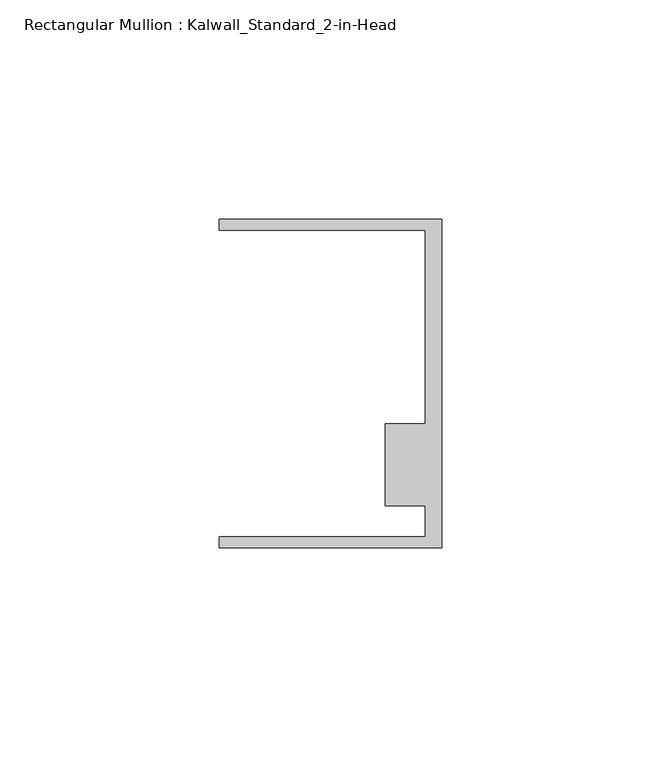
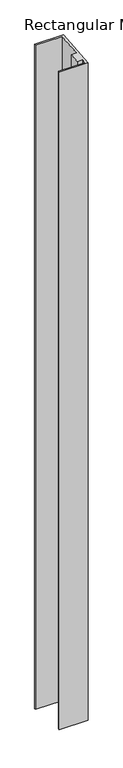
"""IFC4 building model written with IfcOpenShell, lengths in millimetres: member geometry, Rectangular Mullion : Kalwall_Standard_2-in-Head."""

from ifc_helpers import new_model, si_unit, origin, place, context, project, spatial, faceted_brep, source, transform, mapped, element, save


def rectangular_mullion_kalwall_standard_2_in_head_b56ed833(model_context):
    return source(origin(), model_context, "Body", "Brep", [
        faceted_brep([(0.0, 37.5023614, 3.2699037), (0.0, -37.5776386, -3.2764672), (0.0, -37.5776386, -1231.8980334), (0.0, 37.5023614, -1238.4993479), (-50.8, 37.5023614, 3.2699037), (-50.8, 37.5023614, -1238.4993479), (-50.8, 34.9623614, 3.0484362), (-50.8, 34.9623614, -1238.2760216), (-3.7084, 34.9623614, 3.0484362), (-3.7084, 34.9623614, -1238.2760216), (-3.7084, -9.1879886, -0.8011186), (-3.7084, -9.1879886, -1234.3941577), (-12.8272539, -9.1879886, -0.8011186), (-12.8272539, -9.1879886, -1234.3941577), (-12.8272539, -27.8888568, -2.4316836), (-12.8272539, -27.8888568, -1232.7499074), (-3.7084, -27.8888568, -2.4316836), (-3.7084, -27.8888568, -1232.7499074), (-3.7084, -35.0376386, -3.0549997), (-3.7084, -35.0376386, -1232.1213597), (-50.8, -35.0376386, -3.0549997), (-50.8, -35.0376386, -1232.1213597), (-50.8, -37.5776386, -3.2764672), (-50.8, -37.5776386, -1231.8980334)], [[[0, 1, 2, 3]], [[4, 0, 3, 5]], [[6, 4, 5, 7]], [[8, 6, 7, 9]], [[10, 8, 9, 11]], [[12, 10, 11, 13]], [[14, 12, 13, 15]], [[16, 14, 15, 17]], [[18, 16, 17, 19]], [[20, 18, 19, 21]], [[22, 20, 21, 23]], [[1, 22, 23, 2]], [[1, 0, 4, 6, 8, 10, 12, 14, 16, 18, 20, 22]], [[2, 23, 21, 19, 17, 15, 13, 11, 9, 7, 5, 3]]]),
    ])


if __name__ == "__main__":
    model = new_model("IFC4")
    model_context = context("Model", 3, world=origin())
    ifc_project = project(units=[si_unit("LENGTHUNIT", "METRE", prefix="MILLI")], contexts=[model_context])
    site = spatial("IfcSite", under=ifc_project)
    building = spatial("IfcBuilding", under=site)
    placement = place(None, origin())
    rectangular_mullion_kalwall_standard_2_in_head_shape = rectangular_mullion_kalwall_standard_2_in_head_b56ed833(model_context)
    element("IfcMember", 1, ObjectType="Rectangular Mullion : Kalwall_Standard_2-in-Head", at=placement, inside=building, context=model_context, shape_type="MappedRepresentation", body=[
        mapped(rectangular_mullion_kalwall_standard_2_in_head_shape, transform((0.0, 0.0, 0.0), x_axis=(1.0, 0.0, 0.0), y_axis=(0.0, 1.0, 0.0), z_axis=(0.0, 0.0, 1.0))),
    ])
    save(model, "model.ifc")
